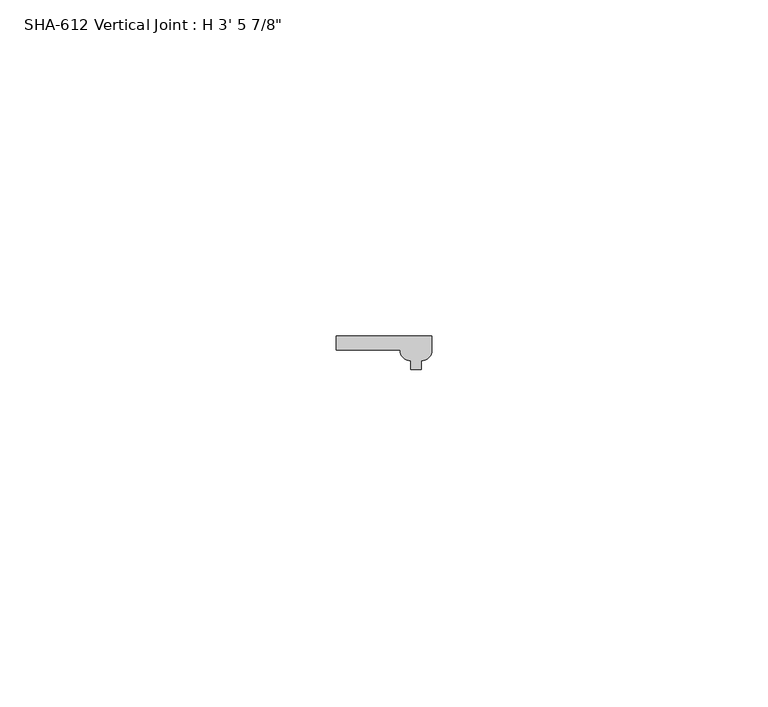
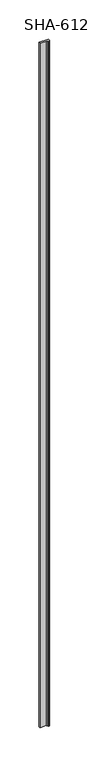
"""IFC4 building model written with IfcOpenShell, lengths in millimetres: proxy geometry."""

from ifc_helpers import new_model, si_unit, point, frame_2d, origin, origin_with_axes, place, context, project, spatial, polyline, circle_curve, trimmed, segment, composite_curve, outline, extrude, source, transform, mapped, element, save


def proxy_fe9d17ac(model_context):
    return source(origin(), model_context, "Body", "SweptSolid", [
        extrude(outline(composite_curve([segment(trimmed(circle_curve(frame_2d((11.0998, -2.1336)), 1.5748), [point((11.0998, -3.7084))], [point((9.525, -2.1336))], False, "CARTESIAN"), True, "CONTINUOUS"), segment(polyline([(9.525, -2.1336), (0.0, -2.1336), (0.0, 0.0), (14.2494, 0.0), (14.2494, -2.1336)]), True, "CONTINUOUS"), segment(trimmed(circle_curve(frame_2d((12.6746, -2.1336)), 1.5748), [point((14.2494, -2.1336))], [point((12.6746, -3.7084))], False, "CARTESIAN"), True, "CONTINUOUS"), segment(polyline([(12.6746, -3.7084), (12.6746, -5.03555), (11.8872, -5.03555), (11.0998, -5.03555), (11.0998, -3.7084)]), True, "CONTINUOUS")], self_intersect=False)), origin_with_axes(), (0.0, 0.0, 1.0), 1063.625),
    ])


if __name__ == "__main__":
    model = new_model("IFC4")
    model_context = context("Model", 3, world=origin())
    ifc_project = project(units=[si_unit("LENGTHUNIT", "METRE", prefix="MILLI")], contexts=[model_context])
    site = spatial("IfcSite", under=ifc_project)
    building = spatial("IfcBuilding", under=site)
    placement = place(None, origin())
    proxy_shape = proxy_fe9d17ac(model_context)
    element("IfcBuildingElementProxy", 1, Name="SHA-612 Vertical Joint : H 3' 5 7/8\"", ObjectType="SHA-612 Vertical Joint : H 3' 5 7/8\"", at=placement, inside=building, context=model_context, shape_type="MappedRepresentation", body=[
        mapped(proxy_shape, transform((0.0, 0.0, 0.0), x_axis=(1.0, 0.0, 0.0), y_axis=(0.0, 1.0, 0.0), z_axis=(0.0, 0.0, 1.0))),
    ])
    save(model, "model.ifc")
